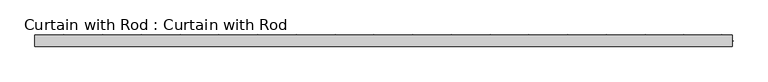
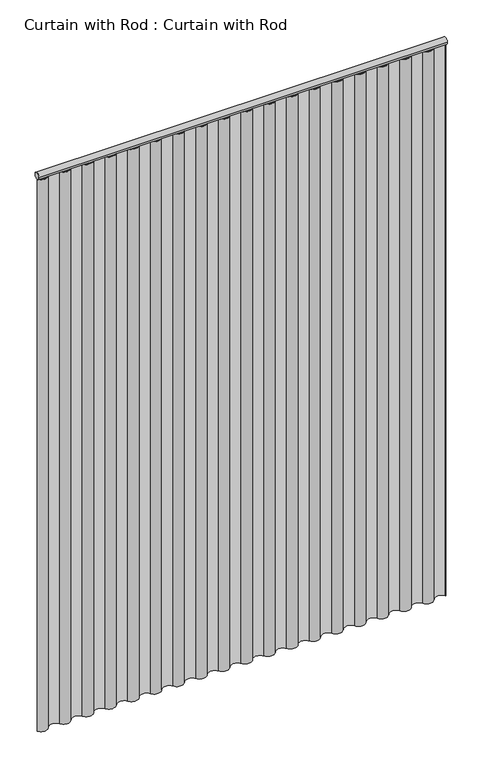
"""IFC4 building model written with IfcOpenShell, lengths in millimetres: proxy geometry, Curtain with Rod : Curtain with Rod."""

from ifc_helpers import new_model, si_unit, point, frame, frame_2d, origin, origin_with_axes, place, context, project, spatial, polyline, circle_curve, trimmed, segment, composite_curve, outline, extrude, source, transform, mapped, element, save


def curtain_with_rod_curtain_with_rod_8cb1eaa1(model_context):
    return source(origin(), model_context, "Body", "SweptSolid", [
        extrude(outline(composite_curve([segment(trimmed(circle_curve(frame_2d((0.0, 2171.7)), 12.7), [point((12.7, 2171.7))], [point((-12.7, 2171.7))], False, "CARTESIAN"), True, "CONTINUOUS"), segment(trimmed(circle_curve(frame_2d((0.0, 2171.7)), 12.7), [point((-12.7, 2171.7))], [point((12.7, 2171.7))], False, "CARTESIAN"), True, "CONTINUOUS")], self_intersect=False)), frame((-756.2169551, 0.0, 0.0), z_axis=(1.0, 0.0, 0.0), x_axis=(0.0, 1.0, 0.0)), (0.0, 0.0, 1.0), 1512.4339102),
        extrude(outline(composite_curve([segment(trimmed(circle_curve(frame_2d((-735.2109285, 12.4556422)), 24.4212238), [point((-714.204902, 0.0))], [point((-756.2169551, 0.0))], False, "CARTESIAN"), True, "CONTINUOUS"), segment(polyline([(-756.2169551, 0.0), (-754.3505536, 0.0)]), True, "CONTINUOUS"), segment(trimmed(circle_curve(frame_2d((-735.2109285, 12.4556422)), 22.8356798), [point((-754.3505536, 0.0))], [point((-715.5667662, 0.8119678))], True, "CARTESIAN"), True, "CONTINUOUS"), segment(trimmed(circle_curve(frame_2d((-693.1988755, -12.5569534)), 26.0585991), [point((-715.5667662, 0.8119678))], [point((-670.8319208, 0.8135337))], False, "CARTESIAN"), True, "CONTINUOUS"), segment(trimmed(circle_curve(frame_2d((-651.1868224, 12.5569534)), 22.8875031), [point((-670.8319208, 0.8135337))], [point((-631.541724, 0.8135337))], True, "CARTESIAN"), True, "CONTINUOUS"), segment(trimmed(circle_curve(frame_2d((-609.1747694, -12.5569534)), 26.0585991), [point((-631.541724, 0.8135337))], [point((-586.8078147, 0.8135337))], False, "CARTESIAN"), True, "CONTINUOUS"), segment(trimmed(circle_curve(frame_2d((-567.1627163, 12.5569534)), 22.8875031), [point((-586.8078147, 0.8135337))], [point((-547.5176179, 0.8135337))], True, "CARTESIAN"), True, "CONTINUOUS"), segment(trimmed(circle_curve(frame_2d((-525.1506632, -12.5569534)), 26.0585991), [point((-547.5176179, 0.8135337))], [point((-502.7837086, 0.8135337))], False, "CARTESIAN"), True, "CONTINUOUS"), segment(trimmed(circle_curve(frame_2d((-483.1386102, 12.5569534)), 22.8875031), [point((-502.7837086, 0.8135337))], [point((-463.4935118, 0.8135337))], True, "CARTESIAN"), True, "CONTINUOUS"), segment(trimmed(circle_curve(frame_2d((-441.1265571, -12.5569534)), 26.0585991), [point((-463.4935118, 0.8135337))], [point((-418.7596025, 0.8135337))], False, "CARTESIAN"), True, "CONTINUOUS"), segment(trimmed(circle_curve(frame_2d((-399.1145041, 12.5569534)), 22.8875031), [point((-418.7596025, 0.8135337))], [point((-379.4694057, 0.8135337))], True, "CARTESIAN"), True, "CONTINUOUS"), segment(trimmed(circle_curve(frame_2d((-357.102451, -12.5569534)), 26.0585991), [point((-379.4694057, 0.8135337))], [point((-334.7354964, 0.8135337))], False, "CARTESIAN"), True, "CONTINUOUS"), segment(trimmed(circle_curve(frame_2d((-315.0903979, 12.5569534)), 22.8875031), [point((-334.7354964, 0.8135337))], [point((-295.4452995, 0.8135337))], True, "CARTESIAN"), True, "CONTINUOUS"), segment(trimmed(circle_curve(frame_2d((-273.0783449, -12.5569534)), 26.0585991), [point((-295.4452995, 0.8135337))], [point((-250.7113902, 0.8135337))], False, "CARTESIAN"), True, "CONTINUOUS"), segment(trimmed(circle_curve(frame_2d((-231.0662918, 12.5569534)), 22.8875031), [point((-250.7113902, 0.8135337))], [point((-211.4211934, 0.8135337))], True, "CARTESIAN"), True, "CONTINUOUS"), segment(trimmed(circle_curve(frame_2d((-189.0542388, -12.5569534)), 26.0585991), [point((-211.4211934, 0.8135337))], [point((-166.6872841, 0.8135337))], False, "CARTESIAN"), True, "CONTINUOUS"), segment(trimmed(circle_curve(frame_2d((-147.0421857, 12.5569534)), 22.8875031), [point((-166.6872841, 0.8135337))], [point((-127.3970873, 0.8135337))], True, "CARTESIAN"), True, "CONTINUOUS"), segment(trimmed(circle_curve(frame_2d((-105.0301326, -12.5569534)), 26.0585991), [point((-127.3970873, 0.8135337))], [point((-82.663178, 0.8135337))], False, "CARTESIAN"), True, "CONTINUOUS"), segment(trimmed(circle_curve(frame_2d((-63.0180796, 12.5569534)), 22.8875031), [point((-82.663178, 0.8135337))], [point((-43.3729812, 0.8135337))], True, "CARTESIAN"), True, "CONTINUOUS"), segment(trimmed(circle_curve(frame_2d((-21.0060265, -12.5569534)), 26.0585991), [point((-43.3729812, 0.8135337))], [point((1.3609281, 0.8135337))], False, "CARTESIAN"), True, "CONTINUOUS"), segment(trimmed(circle_curve(frame_2d((21.0060265, 12.5569534)), 22.8875031), [point((1.3609281, 0.8135337))], [point((40.6511249, 0.8135337))], True, "CARTESIAN"), True, "CONTINUOUS"), segment(trimmed(circle_curve(frame_2d((63.0180796, -12.5569534)), 26.0585991), [point((40.6511249, 0.8135337))], [point((85.3850342, 0.8135337))], False, "CARTESIAN"), True, "CONTINUOUS"), segment(trimmed(circle_curve(frame_2d((105.0301326, 12.5569534)), 22.8875031), [point((85.3850342, 0.8135337))], [point((124.6752311, 0.8135337))], True, "CARTESIAN"), True, "CONTINUOUS"), segment(trimmed(circle_curve(frame_2d((147.0421857, -12.5569534)), 26.0585991), [point((124.6752311, 0.8135337))], [point((169.4091404, 0.8135337))], False, "CARTESIAN"), True, "CONTINUOUS"), segment(trimmed(circle_curve(frame_2d((189.0542388, 12.5569534)), 22.8875031), [point((169.4091404, 0.8135337))], [point((208.6993372, 0.8135337))], True, "CARTESIAN"), True, "CONTINUOUS"), segment(trimmed(circle_curve(frame_2d((231.0662918, -12.5569534)), 26.0585991), [point((208.6993372, 0.8135337))], [point((253.4332465, 0.8135337))], False, "CARTESIAN"), True, "CONTINUOUS"), segment(trimmed(circle_curve(frame_2d((273.0783449, 12.5569534)), 22.8875031), [point((253.4332465, 0.8135337))], [point((292.7234433, 0.8135337))], True, "CARTESIAN"), True, "CONTINUOUS"), segment(trimmed(circle_curve(frame_2d((315.0903979, -12.5569534)), 26.0585991), [point((292.7234433, 0.8135337))], [point((337.4573526, 0.8135337))], False, "CARTESIAN"), True, "CONTINUOUS"), segment(trimmed(circle_curve(frame_2d((357.102451, 12.5569534)), 22.8875031), [point((337.4573526, 0.8135337))], [point((376.7475494, 0.8135337))], True, "CARTESIAN"), True, "CONTINUOUS"), segment(trimmed(circle_curve(frame_2d((399.1145041, -12.5569534)), 26.0585991), [point((376.7475494, 0.8135337))], [point((421.4814587, 0.8135337))], False, "CARTESIAN"), True, "CONTINUOUS"), segment(trimmed(circle_curve(frame_2d((441.1265571, 12.5569534)), 22.8875031), [point((421.4814587, 0.8135337))], [point((460.7716555, 0.8135337))], True, "CARTESIAN"), True, "CONTINUOUS"), segment(trimmed(circle_curve(frame_2d((483.1386102, -12.5569534)), 26.0585991), [point((460.7716555, 0.8135337))], [point((505.5055648, 0.8135337))], False, "CARTESIAN"), True, "CONTINUOUS"), segment(trimmed(circle_curve(frame_2d((525.1506632, 12.5569534)), 22.8875031), [point((505.5055648, 0.8135337))], [point((544.7957617, 0.8135337))], True, "CARTESIAN"), True, "CONTINUOUS"), segment(trimmed(circle_curve(frame_2d((567.1627163, -12.5569534)), 26.0585991), [point((544.7957617, 0.8135337))], [point((589.529671, 0.8135337))], False, "CARTESIAN"), True, "CONTINUOUS"), segment(trimmed(circle_curve(frame_2d((609.1747694, 12.5569534)), 22.8875031), [point((589.529671, 0.8135337))], [point((628.8198678, 0.8135337))], True, "CARTESIAN"), True, "CONTINUOUS"), segment(trimmed(circle_curve(frame_2d((651.1868224, -12.5569534)), 26.0585991), [point((628.8198678, 0.8135337))], [point((673.5563845, 0.809171))], False, "CARTESIAN"), True, "CONTINUOUS"), segment(trimmed(circle_curve(frame_2d((693.1988755, 12.5458324)), 22.8817979), [point((673.5563845, 0.809171))], [point((712.8198703, 0.7732694))], True, "CARTESIAN"), True, "CONTINUOUS"), segment(trimmed(circle_curve(frame_2d((735.2109285, -12.6570383)), 26.1100107), [point((712.8198703, 0.7732694))], [point((758.0480045, 0.0))], False, "CARTESIAN"), True, "CONTINUOUS"), segment(polyline([(758.0480045, 0.0), (756.2169551, 0.0)]), True, "CONTINUOUS"), segment(trimmed(circle_curve(frame_2d((735.2109285, -12.6570383)), 24.5245544), [point((756.2169551, 0.0))], [point((714.204902, 0.0))], True, "CARTESIAN"), True, "CONTINUOUS"), segment(trimmed(circle_curve(frame_2d((693.1988755, 12.5458324)), 24.4673469), [point((714.204902, 0.0))], [point((672.192849, 0.0))], False, "CARTESIAN"), True, "CONTINUOUS"), segment(trimmed(circle_curve(frame_2d((651.1868224, -12.5569534)), 24.4730511), [point((672.192849, 0.0))], [point((630.1807959, 0.0))], True, "CARTESIAN"), True, "CONTINUOUS"), segment(trimmed(circle_curve(frame_2d((609.1747694, 12.5569534)), 24.4730511), [point((630.1807959, 0.0))], [point((588.1687428, 0.0))], False, "CARTESIAN"), True, "CONTINUOUS"), segment(trimmed(circle_curve(frame_2d((567.1627163, -12.5569534)), 24.4730511), [point((588.1687428, 0.0))], [point((546.1566898, 0.0))], True, "CARTESIAN"), True, "CONTINUOUS"), segment(trimmed(circle_curve(frame_2d((525.1506632, 12.5569534)), 24.4730511), [point((546.1566898, 0.0))], [point((504.1446367, 0.0))], False, "CARTESIAN"), True, "CONTINUOUS"), segment(trimmed(circle_curve(frame_2d((483.1386102, -12.5569534)), 24.4730511), [point((504.1446367, 0.0))], [point((462.1325837, 0.0))], True, "CARTESIAN"), True, "CONTINUOUS"), segment(trimmed(circle_curve(frame_2d((441.1265571, 12.5569534)), 24.4730511), [point((462.1325837, 0.0))], [point((420.1205306, 0.0))], False, "CARTESIAN"), True, "CONTINUOUS"), segment(trimmed(circle_curve(frame_2d((399.1145041, -12.5569534)), 24.4730511), [point((420.1205306, 0.0))], [point((378.1084775, 0.0))], True, "CARTESIAN"), True, "CONTINUOUS"), segment(trimmed(circle_curve(frame_2d((357.102451, 12.5569534)), 24.4730511), [point((378.1084775, 0.0))], [point((336.0964245, 0.0))], False, "CARTESIAN"), True, "CONTINUOUS"), segment(trimmed(circle_curve(frame_2d((315.0903979, -12.5569534)), 24.4730511), [point((336.0964245, 0.0))], [point((294.0843714, 0.0))], True, "CARTESIAN"), True, "CONTINUOUS"), segment(trimmed(circle_curve(frame_2d((273.0783449, 12.5569534)), 24.4730511), [point((294.0843714, 0.0))], [point((252.0723184, 0.0))], False, "CARTESIAN"), True, "CONTINUOUS"), segment(trimmed(circle_curve(frame_2d((231.0662918, -12.5569534)), 24.4730511), [point((252.0723184, 0.0))], [point((210.0602653, 0.0))], True, "CARTESIAN"), True, "CONTINUOUS"), segment(trimmed(circle_curve(frame_2d((189.0542388, 12.5569534)), 24.4730511), [point((210.0602653, 0.0))], [point((168.0482122, 0.0))], False, "CARTESIAN"), True, "CONTINUOUS"), segment(trimmed(circle_curve(frame_2d((147.0421857, -12.5569534)), 24.4730511), [point((168.0482122, 0.0))], [point((126.0361592, 0.0))], True, "CARTESIAN"), True, "CONTINUOUS"), segment(trimmed(circle_curve(frame_2d((105.0301326, 12.5569534)), 24.4730511), [point((126.0361592, 0.0))], [point((84.0241061, 0.0))], False, "CARTESIAN"), True, "CONTINUOUS"), segment(trimmed(circle_curve(frame_2d((63.0180796, -12.5569534)), 24.4730511), [point((84.0241061, 0.0))], [point((42.0120531, 0.0))], True, "CARTESIAN"), True, "CONTINUOUS"), segment(trimmed(circle_curve(frame_2d((21.0060265, 12.5569534)), 24.4730511), [point((42.0120531, 0.0))], [point((0.0, 0.0))], False, "CARTESIAN"), True, "CONTINUOUS"), segment(trimmed(circle_curve(frame_2d((-21.0060265, -12.5569534)), 24.4730511), [point((0.0, 0.0))], [point((-42.0120531, 0.0))], True, "CARTESIAN"), True, "CONTINUOUS"), segment(trimmed(circle_curve(frame_2d((-63.0180796, 12.5569534)), 24.4730511), [point((-42.0120531, 0.0))], [point((-84.0241061, 0.0))], False, "CARTESIAN"), True, "CONTINUOUS"), segment(trimmed(circle_curve(frame_2d((-105.0301326, -12.5569534)), 24.4730511), [point((-84.0241061, 0.0))], [point((-126.0361592, 0.0))], True, "CARTESIAN"), True, "CONTINUOUS"), segment(trimmed(circle_curve(frame_2d((-147.0421857, 12.5569534)), 24.4730511), [point((-126.0361592, 0.0))], [point((-168.0482122, 0.0))], False, "CARTESIAN"), True, "CONTINUOUS"), segment(trimmed(circle_curve(frame_2d((-189.0542388, -12.5569534)), 24.4730511), [point((-168.0482122, 0.0))], [point((-210.0602653, 0.0))], True, "CARTESIAN"), True, "CONTINUOUS"), segment(trimmed(circle_curve(frame_2d((-231.0662918, 12.5569534)), 24.4730511), [point((-210.0602653, 0.0))], [point((-252.0723184, 0.0))], False, "CARTESIAN"), True, "CONTINUOUS"), segment(trimmed(circle_curve(frame_2d((-273.0783449, -12.5569534)), 24.4730511), [point((-252.0723184, 0.0))], [point((-294.0843714, 0.0))], True, "CARTESIAN"), True, "CONTINUOUS"), segment(trimmed(circle_curve(frame_2d((-315.0903979, 12.5569534)), 24.4730511), [point((-294.0843714, 0.0))], [point((-336.0964245, 0.0))], False, "CARTESIAN"), True, "CONTINUOUS"), segment(trimmed(circle_curve(frame_2d((-357.102451, -12.5569534)), 24.4730511), [point((-336.0964245, 0.0))], [point((-378.1084775, 0.0))], True, "CARTESIAN"), True, "CONTINUOUS"), segment(trimmed(circle_curve(frame_2d((-399.1145041, 12.5569534)), 24.4730511), [point((-378.1084775, 0.0))], [point((-420.1205306, 0.0))], False, "CARTESIAN"), True, "CONTINUOUS"), segment(trimmed(circle_curve(frame_2d((-441.1265571, -12.5569534)), 24.4730511), [point((-420.1205306, 0.0))], [point((-462.1325837, 0.0))], True, "CARTESIAN"), True, "CONTINUOUS"), segment(trimmed(circle_curve(frame_2d((-483.1386102, 12.5569534)), 24.4730511), [point((-462.1325837, 0.0))], [point((-504.1446367, 0.0))], False, "CARTESIAN"), True, "CONTINUOUS"), segment(trimmed(circle_curve(frame_2d((-525.1506632, -12.5569534)), 24.4730511), [point((-504.1446367, 0.0))], [point((-546.1566898, 0.0))], True, "CARTESIAN"), True, "CONTINUOUS"), segment(trimmed(circle_curve(frame_2d((-567.1627163, 12.5569534)), 24.4730511), [point((-546.1566898, 0.0))], [point((-588.1687428, 0.0))], False, "CARTESIAN"), True, "CONTINUOUS"), segment(trimmed(circle_curve(frame_2d((-609.1747694, -12.5569534)), 24.4730511), [point((-588.1687428, 0.0))], [point((-630.1807959, 0.0))], True, "CARTESIAN"), True, "CONTINUOUS"), segment(trimmed(circle_curve(frame_2d((-651.1868224, 12.5569534)), 24.4730511), [point((-630.1807959, 0.0))], [point((-672.192849, 0.0))], False, "CARTESIAN"), True, "CONTINUOUS"), segment(trimmed(circle_curve(frame_2d((-693.1988755, -12.5569534)), 24.4730511), [point((-672.192849, 0.0))], [point((-714.204902, 0.0))], True, "CARTESIAN"), True, "CONTINUOUS")], self_intersect=False)), origin_with_axes(), (0.0, 0.0, 1.0), 2159.0),
    ])


if __name__ == "__main__":
    model = new_model("IFC4")
    model_context = context("Model", 3, world=origin())
    ifc_project = project(units=[si_unit("LENGTHUNIT", "METRE", prefix="MILLI")], contexts=[model_context])
    site = spatial("IfcSite", under=ifc_project)
    building = spatial("IfcBuilding", under=site)
    placement = place(None, origin())
    curtain_with_rod_curtain_with_rod_shape = curtain_with_rod_curtain_with_rod_8cb1eaa1(model_context)
    element("IfcBuildingElementProxy", 1, Name="Curtain with Rod : Curtain with Rod", ObjectType="Curtain with Rod : Curtain with Rod", at=placement, inside=building, context=model_context, shape_type="MappedRepresentation", body=[
        mapped(curtain_with_rod_curtain_with_rod_shape, transform((0.0, 0.0, 0.0), x_axis=(1.0, 0.0, 0.0), y_axis=(0.0, 1.0, 0.0), z_axis=(0.0, 0.0, 1.0))),
    ])
    save(model, "model.ifc")
